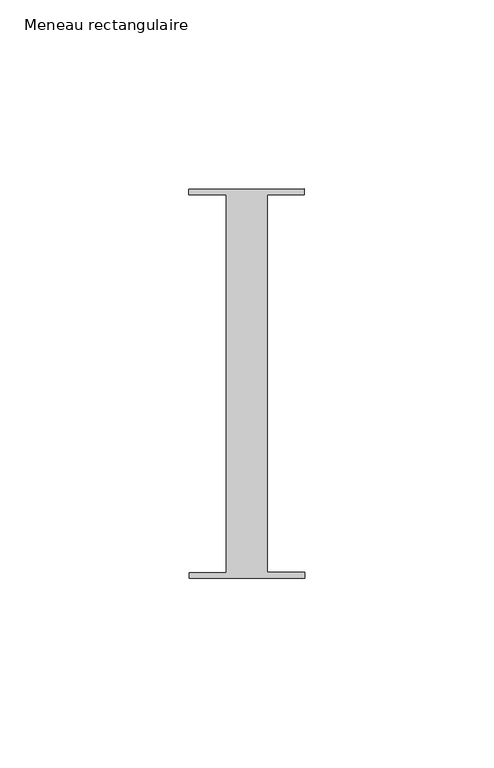
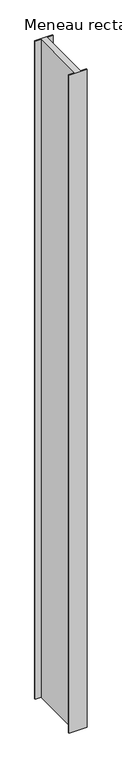
"""IFC4 building model written with IfcOpenShell, lengths in millimetres: member geometry, Meneau rectangulaire."""

from ifc_helpers import new_model, si_unit, frame, origin, place, context, project, spatial, polyline, outline, extrude, source, transform, mapped, element, save


def meneau_rectangulaire_905aa200(model_context):
    return source(origin(), model_context, "Body", "SweptSolid", [
        extrude(outline(polyline([(15.1919193, 51.5152664), (15.1934333, 50.0054494), (5.4028486, 50.0054494), (5.4028486, -49.9846825), (15.2937013, -49.9846825), (15.2952055, -51.4846817), (-15.2047792, -51.5152664), (-15.2062834, -50.0152672), (-5.4194144, -50.0152672), (-5.4194144, 49.9942223), (-15.3065707, 49.9942223), (-15.3080653, 51.4846817), (15.1919193, 51.5152664)])), frame((0.0, 0.0, -1200.0), z_axis=(0.0, 0.0, 1.0), x_axis=(1.0, 0.0, 0.0)), (0.0, 0.0, 1.0), 1200.0),
    ])


if __name__ == "__main__":
    model = new_model("IFC4")
    model_context = context("Model", 3, world=origin())
    ifc_project = project(units=[si_unit("LENGTHUNIT", "METRE", prefix="MILLI")], contexts=[model_context])
    site = spatial("IfcSite", under=ifc_project)
    building = spatial("IfcBuilding", under=site)
    placement = place(None, origin())
    meneau_rectangulaire_shape = meneau_rectangulaire_905aa200(model_context)
    element("IfcMember", 1, ObjectType="Meneau rectangulaire", at=placement, inside=building, context=model_context, shape_type="MappedRepresentation", body=[
        mapped(meneau_rectangulaire_shape, transform((0.0, 0.0, 0.0), x_axis=(1.0, 0.0, 0.0), y_axis=(0.0, 1.0, 0.0), z_axis=(0.0, 0.0, 1.0))),
    ])
    save(model, "model.ifc")
